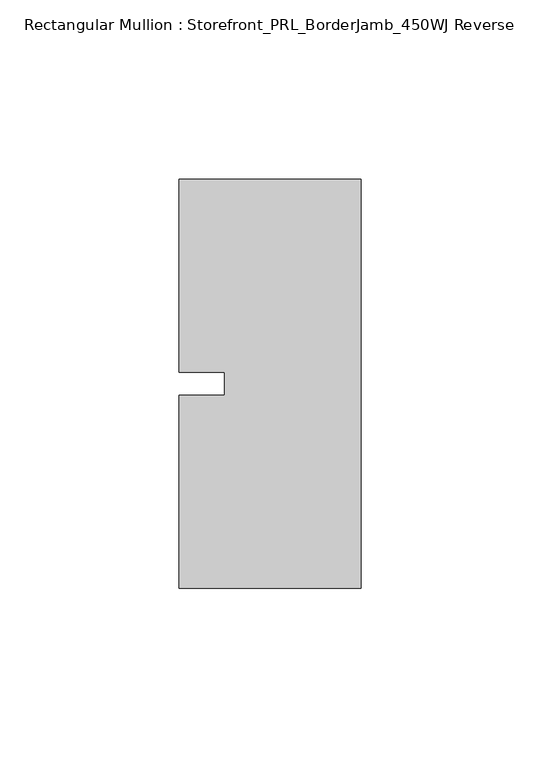
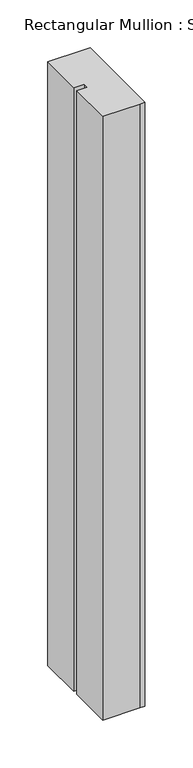
"""IFC4 building model written with IfcOpenShell, lengths in millimetres: member geometry, Rectangular Mullion : Storefront_PRL_BorderJamb_450WJ Reverse."""

from ifc_helpers import new_model, si_unit, frame, origin, place, context, project, spatial, polyline, outline, extrude, source, transform, mapped, element, save


def rectangular_mullion_storefront_prl_borderjamb_450wj_reverse_d9b85a70(model_context):
    return source(origin(), model_context, "Body", "SweptSolid", [
        extrude(outline(polyline([(-38.1, -3.175), (-38.1, 3.175), (-50.8, 3.175), (-50.8, 57.15), (-7.3958824, 57.15), (0.0, 57.15), (0.0, -57.15), (-6.35, -57.15), (-50.8, -57.15), (-50.8, -3.175), (-38.1, -3.175)])), frame((0.0, 0.0, -768.35), z_axis=(0.0, 0.0, 1.0), x_axis=(1.0, 0.0, 0.0)), (0.0, 0.0, 1.0), 768.35),
    ])


if __name__ == "__main__":
    model = new_model("IFC4")
    model_context = context("Model", 3, world=origin())
    ifc_project = project(units=[si_unit("LENGTHUNIT", "METRE", prefix="MILLI")], contexts=[model_context])
    site = spatial("IfcSite", under=ifc_project)
    building = spatial("IfcBuilding", under=site)
    placement = place(None, origin())
    rectangular_mullion_storefront_prl_borderjamb_450wj_reverse_shape = rectangular_mullion_storefront_prl_borderjamb_450wj_reverse_d9b85a70(model_context)
    element("IfcMember", 1, ObjectType="Rectangular Mullion : Storefront_PRL_BorderJamb_450WJ Reverse", at=placement, inside=building, context=model_context, shape_type="MappedRepresentation", body=[
        mapped(rectangular_mullion_storefront_prl_borderjamb_450wj_reverse_shape, transform((0.0, 0.0, 0.0), x_axis=(1.0, 0.0, 0.0), y_axis=(0.0, 1.0, 0.0), z_axis=(0.0, 0.0, 1.0))),
    ])
    save(model, "model.ifc")
